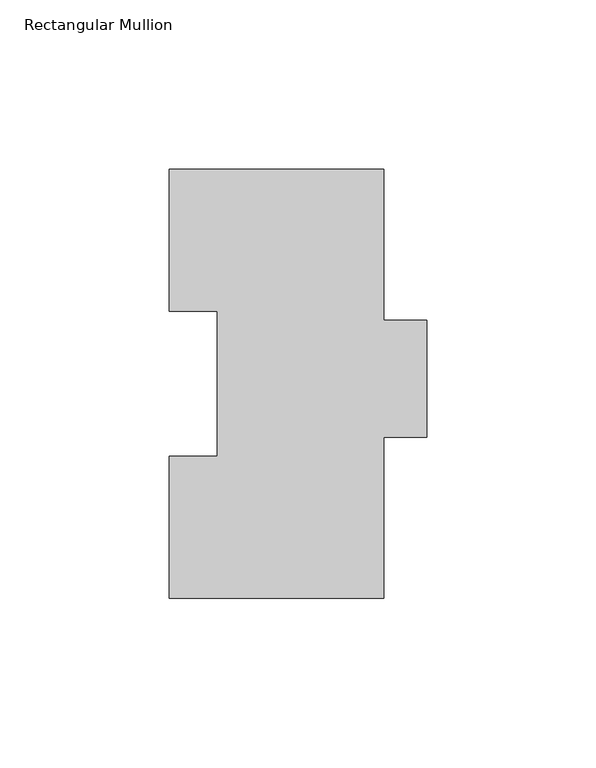
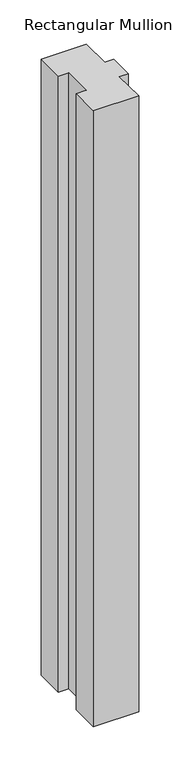
"""IFC4 building model written with IfcOpenShell, lengths in millimetres: member geometry, Rectangular Mullion."""

from ifc_helpers import new_model, si_unit, frame, origin, place, context, project, spatial, polyline, outline, extrude, source, transform, mapped, element, save


def rectangular_mullion_29d73f0e(model_context):
    return source(origin(), model_context, "Body", "SweptSolid", [
        extrude(outline(polyline([(31.75, 126.7086938), (31.75, 82.0046938), (44.4497287, 82.0046938), (44.4497287, 47.3336938), (31.75, 47.3336938), (31.75, -0.2913062), (-31.7497287, -0.2913062), (-31.7497287, 41.7837938), (-17.4622287, 41.7837938), (-17.4622287, 84.6335937), (-31.7502713, 84.6335937), (-31.7502713, 126.7086938), (31.75, 126.7086938)])), frame((0.0, 0.0, -914.4), z_axis=(0.0, 0.0, 1.0), x_axis=(1.0, 0.0, 0.0)), (0.0, 0.0, 1.0), 914.4),
    ])


if __name__ == "__main__":
    model = new_model("IFC4")
    model_context = context("Model", 3, world=origin())
    ifc_project = project(units=[si_unit("LENGTHUNIT", "METRE", prefix="MILLI")], contexts=[model_context])
    site = spatial("IfcSite", under=ifc_project)
    building = spatial("IfcBuilding", under=site)
    placement = place(None, origin())
    rectangular_mullion_shape = rectangular_mullion_29d73f0e(model_context)
    element("IfcMember", 1, ObjectType="Rectangular Mullion", at=placement, inside=building, context=model_context, shape_type="MappedRepresentation", body=[
        mapped(rectangular_mullion_shape, transform((0.0, 0.0, 0.0), x_axis=(1.0, 0.0, 0.0), y_axis=(0.0, 1.0, 0.0), z_axis=(0.0, 0.0, 1.0))),
    ])
    save(model, "model.ifc")
